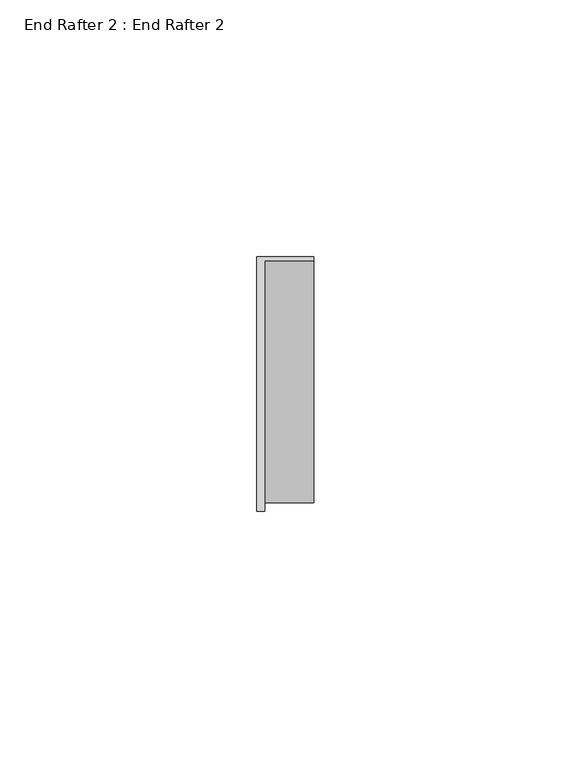
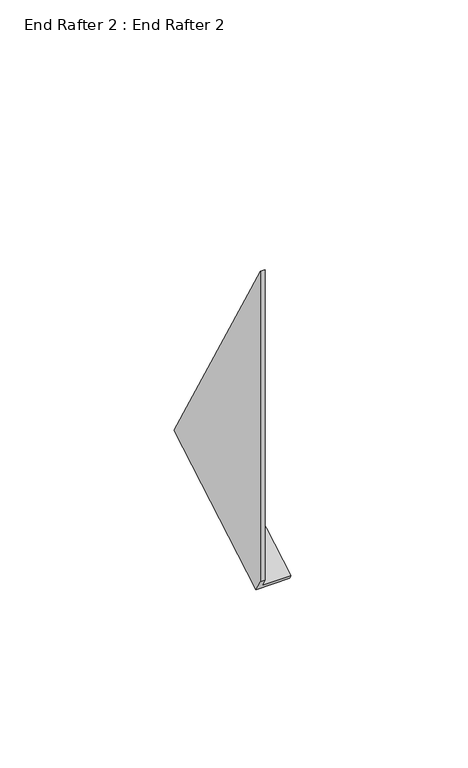
"""IFC4 building model written with IfcOpenShell, lengths in millimetres: proxy geometry, End Rafter 2 : End Rafter 2."""

from ifc_helpers import new_model, si_unit, origin, place, context, project, spatial, faceted_brep, source, transform, mapped, element, save


def end_rafter_2_end_rafter_2_a59816e8(model_context):
    return source(origin(), model_context, "Body", "Brep", [
        faceted_brep([(8337.9052127, -22568.337337, -46.6855956), (8349.0184747, -22568.337337, -46.6855956), (8349.0184747, -22569.124737, -45.3217788), (8339.4800127, -22569.124737, -45.3217788), (8339.4800127, -22570.7304691, -42.5405691), (8337.9052127, -22570.7304691, -42.5405691), (8339.4800127, -22570.7304691, 66.3240241), (8339.4800127, -22521.9849853, -18.1056305), (8349.0184747, -22521.9849853, -18.1056305), (8349.0184747, -22521.1975853, -19.4694473), (8337.9052127, -22521.1975853, -19.4694473), (8337.9052127, -22570.7304691, 66.3240241)], [[[0, 1, 2, 3, 4, 5]], [[6, 7, 8, 9, 10, 11]], [[11, 10, 0, 5]], [[1, 0, 10, 9]], [[2, 1, 9, 8]], [[3, 2, 8, 7]], [[7, 6, 4, 3]], [[5, 4, 6, 11]]]),
    ])


if __name__ == "__main__":
    model = new_model("IFC4")
    model_context = context("Model", 3, world=origin())
    ifc_project = project(units=[si_unit("LENGTHUNIT", "METRE", prefix="MILLI")], contexts=[model_context])
    site = spatial("IfcSite", under=ifc_project)
    building = spatial("IfcBuilding", under=site)
    placement = place(None, origin())
    end_rafter_2_end_rafter_2_shape = end_rafter_2_end_rafter_2_a59816e8(model_context)
    element("IfcBuildingElementProxy", 1, Name="End Rafter 2 : End Rafter 2", ObjectType="End Rafter 2 : End Rafter 2", at=placement, inside=building, context=model_context, shape_type="MappedRepresentation", body=[
        mapped(end_rafter_2_end_rafter_2_shape, transform((0.0, 0.0, 0.0), x_axis=(1.0, 0.0, 0.0), y_axis=(0.0, 1.0, 0.0), z_axis=(0.0, 0.0, 1.0))),
    ])
    save(model, "model.ifc")
